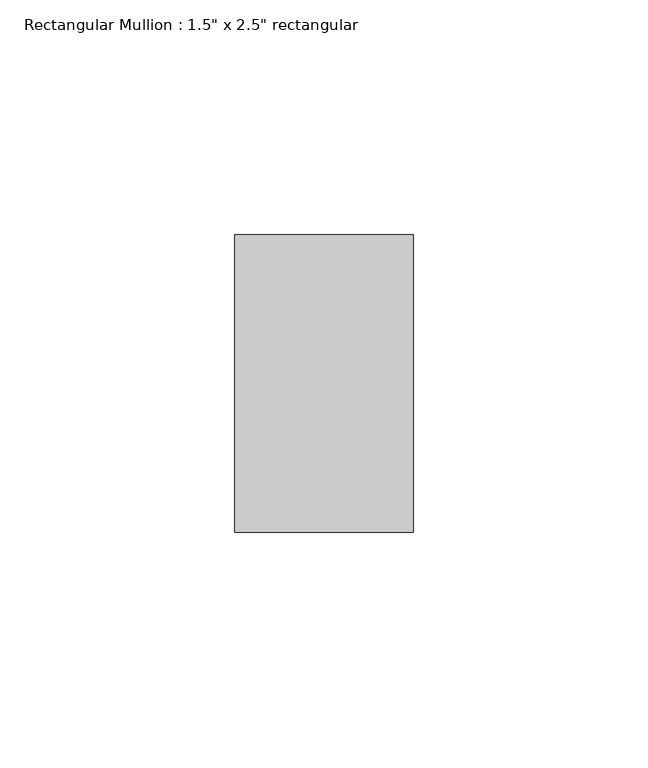
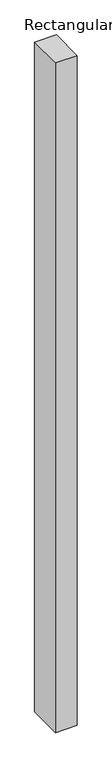
"""IFC4 building model written with IfcOpenShell, lengths in millimetres: member geometry."""

import ifcopenshell
import ifcopenshell.guid

model = None  # the IFC model being written
_history = None  # IfcOwnerHistory: only IFC2X3 demands one
_inside = {}  # id of a spatial element -> (the spatial element, [elements in it])
_under = {}  # id of a project, library or spatial element -> (it, [spatial elements below it])
_declared = {}  # id of a project -> (the project, [libraries it declares])
_typed = {}  # id of a type object -> (the type object, [elements of that type])
_made_of = {}  # id of a material, layer set ... -> (it, [elements and type objects made of it])


def new_model(schema):
    """Start an empty IFC model of exactly this schema.

    Asked for "IFC4X3", IfcOpenShell would pick the latest addendum, in which some entities
    have other attributes; the version numbers below select the first issue.
    IFC2X3 requires an IfcOwnerHistory on every rooted entity: one is made here for all.
    """
    global model, _history
    if schema == "IFC4X3":
        model = ifcopenshell.file(schema_version=(4, 3, 0, 0))
    else:
        model = ifcopenshell.file(schema=schema)
    _inside.clear()
    _under.clear()
    _declared.clear()
    _typed.clear()
    _made_of.clear()
    _history = None
    if model.schema == "IFC2X3":
        org = make("IfcOrganization", Name="unknown")
        user = make(
            "IfcPersonAndOrganization",
            ThePerson=make("IfcPerson", FamilyName="unknown"),
            TheOrganization=org,
        )
        app = make(
            "IfcApplication",
            ApplicationDeveloper=org,
            Version="unknown",
            ApplicationFullName="unknown",
            ApplicationIdentifier="unknown",
        )
        _history = make(
            "IfcOwnerHistory",
            OwningUser=user,
            OwningApplication=app,
            ChangeAction="ADDED",
            CreationDate=0,
        )
    return model


def make(cls, **values):
    """One entity of the class cls with the attributes given. An attribute that is None is left unset."""
    return model.create_entity(
        cls, **{name: value for name, value in values.items() if value is not None}
    )


def rooted(cls, **values):
    """An entity with a GlobalId (a new one), such as an element, a storey or a relation."""
    return make(cls, GlobalId=ifcopenshell.guid.new(), OwnerHistory=_history, **values)


def si_unit(unit_type, name, prefix=None):
    """IfcSIUnit, for example si_unit("LENGTHUNIT", "METRE", prefix="MILLI")."""
    return make("IfcSIUnit", UnitType=unit_type, Prefix=prefix, Name=name)


def assignment(units):
    """IfcUnitAssignment: the units of a project."""
    return None if units is None else make("IfcUnitAssignment", Units=units)


def point(xyz):
    """IfcCartesianPoint."""
    return None if xyz is None else make("IfcCartesianPoint", Coordinates=xyz)


def direction(xyz):
    """IfcDirection."""
    return None if xyz is None else make("IfcDirection", DirectionRatios=xyz)


def frame(location, z_axis=None, x_axis=None):
    """IfcAxis2Placement3D, a coordinate frame: its origin and axes. An axis left out is left unset."""
    return make(
        "IfcAxis2Placement3D",
        Location=point(location),
        Axis=direction(z_axis),
        RefDirection=direction(x_axis),
    )


def origin():
    """The frame at (0, 0, 0) with its axes left unset."""
    return frame((0.0, 0.0, 0.0))


def place(relative_to, where):
    """IfcLocalPlacement: puts the frame where relative to a parent placement (None: the world)."""
    return make(
        "IfcLocalPlacement", PlacementRelTo=relative_to, RelativePlacement=where
    )


def context(
    kind, dimensions, precision=None, world=None, true_north=None, identifier=None
):
    """IfcGeometricRepresentationContext, for example the 3D "Model" context."""
    return make(
        "IfcGeometricRepresentationContext",
        ContextIdentifier=identifier,
        ContextType=kind,
        CoordinateSpaceDimension=dimensions,
        Precision=precision,
        WorldCoordinateSystem=world,
        TrueNorth=true_north,
    )


def project(units=None, contexts=None):
    """IfcProject with its units and contexts."""
    return rooted(
        "IfcProject",
        Name="project",
        RepresentationContexts=contexts,
        UnitsInContext=assignment(units),
    )


def spatial(cls, under=None, at=None, **own):
    """A site, building, storey or space (cls), placed at a placement, below another one or the project."""
    s = rooted(cls, ObjectPlacement=at, **own)
    if under is not None:
        _under.setdefault(under.id(), (under, []))[1].append(s)
    return s


def polyline(points):
    """IfcPolyline through the points."""
    return make("IfcPolyline", Points=[point(p) for p in points])


def outline(outer, holes=None, kind="AREA"):
    """IfcArbitraryClosedProfileDef: a profile drawn as a closed curve; with holes, ...WithVoids."""
    if holes is None:
        return make("IfcArbitraryClosedProfileDef", ProfileType=kind, OuterCurve=outer)
    return make(
        "IfcArbitraryProfileDefWithVoids",
        ProfileType=kind,
        OuterCurve=outer,
        InnerCurves=holes,
    )


def extrude(swept, where, along, depth):
    """IfcExtrudedAreaSolid: the profile swept, set in the frame where, extruded along a direction by depth."""
    return make(
        "IfcExtrudedAreaSolid",
        SweptArea=swept,
        Position=where,
        ExtrudedDirection=direction(along),
        Depth=depth,
    )


def shape(context_of_items, identifier, shape_type, items):
    """IfcShapeRepresentation: the items that make up one representation, for example the "Body"."""
    return make(
        "IfcShapeRepresentation",
        ContextOfItems=context_of_items,
        RepresentationIdentifier=identifier,
        RepresentationType=shape_type,
        Items=items,
    )


def source(mapping_origin, context_of_items, identifier, shape_type, items):
    """IfcRepresentationMap: a shape defined once, which mapped items show again and again."""
    return make(
        "IfcRepresentationMap",
        MappingOrigin=mapping_origin,
        MappedRepresentation=shape(context_of_items, identifier, shape_type, items),
    )


def transform(
    local_origin,
    x_axis=None,
    y_axis=None,
    z_axis=None,
    scale=None,
    scale2=None,
    scale3=None,
    uniform=True,
):
    """IfcCartesianTransformationOperator3D, or its non-uniform kind. x_axis, y_axis, z_axis: its Axis1, 2, 3."""
    if uniform:
        return make(
            "IfcCartesianTransformationOperator3D",
            Axis1=direction(x_axis),
            Axis2=direction(y_axis),
            LocalOrigin=point(local_origin),
            Scale=scale,
            Axis3=direction(z_axis),
        )
    return make(
        "IfcCartesianTransformationOperator3DnonUniform",
        Axis1=direction(x_axis),
        Axis2=direction(y_axis),
        LocalOrigin=point(local_origin),
        Scale=scale,
        Axis3=direction(z_axis),
        Scale2=scale2,
        Scale3=scale3,
    )


def mapped(mapping_source, mapping_target):
    """IfcMappedItem: shows the shape of a source again, moved by a transform."""
    return make(
        "IfcMappedItem", MappingSource=mapping_source, MappingTarget=mapping_target
    )


def made_of(thing, what):
    """Note that an element or type object is made of a material, layer set ...; save() writes the relation."""
    if what is not None:
        _made_of.setdefault(what.id(), (what, []))[1].append(thing)
    return thing


def element(
    cls,
    number,
    at=None,
    inside=None,
    cuts=None,
    type_object=None,
    material=None,
    context=None,
    identifier="Body",
    shape_type=None,
    held_by="IfcProductDefinitionShape",
    body=None,
    shapes=None,
    **own,
):
    """One element of the class cls, such as IfcWall. Its Tag is "e" and its number.

    at: its placement. inside: the storey or other place that contains it. cuts: it is an
    opening in that element (IfcRelVoidsElement). A single representation is given by context,
    identifier, shape_type and body (its items); several are given by shapes. held_by: the class
    of the entity that holds the representations. save() writes the other relations.
    """
    e = rooted(cls, Tag="e%d" % number, ObjectPlacement=at, **own)
    if body is not None:
        shapes = [shape(context, identifier, shape_type, body)]
    if shapes is not None:
        e.Representation = make(held_by, Representations=shapes)
    if inside is not None:
        _inside.setdefault(inside.id(), (inside, []))[1].append(e)
    if cuts is not None:
        rooted(
            "IfcRelVoidsElement", RelatingBuildingElement=cuts, RelatedOpeningElement=e
        )
    if type_object is not None:
        _typed.setdefault(type_object.id(), (type_object, []))[1].append(e)
    return made_of(e, material)


def aggregate(whole, parts):
    """IfcRelAggregates: a whole, such as a stair, and the parts it consists of."""
    return rooted("IfcRelAggregates", RelatingObject=whole, RelatedObjects=parts)


def save(model, path):
    """Write the relations noted so far, then the file.

    IfcRelAggregates (storeys below a building ...), IfcRelContainedInSpatialStructure (elements
    in a storey), IfcRelDefinesByType, IfcRelAssociatesMaterial and IfcRelDeclares: one each for
    every whole, place, type object, material and project.
    """
    for whole, parts in _under.values():
        aggregate(whole, parts)
    for where, things in _inside.values():
        rooted(
            "IfcRelContainedInSpatialStructure",
            RelatedElements=things,
            RelatingStructure=where,
        )
    for kind, things in _typed.values():
        rooted("IfcRelDefinesByType", RelatedObjects=things, RelatingType=kind)
    for what, things in _made_of.values():
        rooted("IfcRelAssociatesMaterial", RelatedObjects=things, RelatingMaterial=what)
    for by, libraries in _declared.values():
        rooted("IfcRelDeclares", RelatingContext=by, RelatedDefinitions=libraries)
    model.write(path)


def member_f2eabafd(model_context):
    return source(origin(), model_context, "Body", "SweptSolid", [
        extrude(outline(polyline([(0.0, 31.75), (0.0, -31.75), (-38.1, -31.75), (-38.1, 31.75), (0.0, 31.75)])), frame((0.0, 0.0, -1244.6), z_axis=(0.0, 0.0, 1.0), x_axis=(1.0, 0.0, 0.0)), (0.0, 0.0, 1.0), 1244.6),
    ])


if __name__ == "__main__":
    model = new_model("IFC4")
    model_context = context("Model", 3, world=origin())
    ifc_project = project(units=[si_unit("LENGTHUNIT", "METRE", prefix="MILLI")], contexts=[model_context])
    site = spatial("IfcSite", under=ifc_project)
    building = spatial("IfcBuilding", under=site)
    placement = place(None, origin())
    member_shape = member_f2eabafd(model_context)
    element("IfcMember", 1, ObjectType="Rectangular Mullion : 1.5\" x 2.5\" rectangular", at=placement, inside=building, context=model_context, shape_type="MappedRepresentation", body=[
        mapped(member_shape, transform((0.0, 0.0, 0.0), x_axis=(1.0, 0.0, 0.0), y_axis=(0.0, 1.0, 0.0), z_axis=(0.0, 0.0, 1.0))),
    ])
    save(model, "model.ifc")
